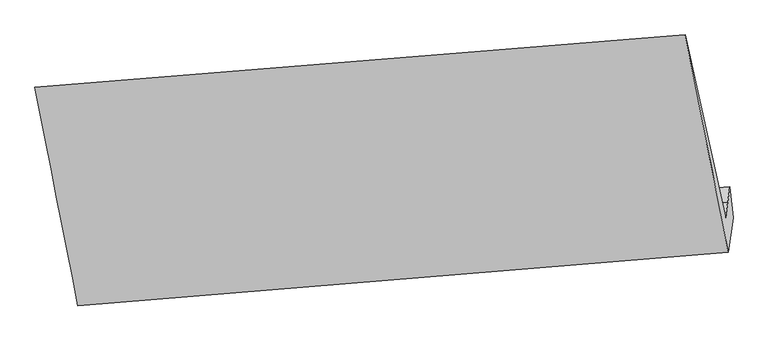
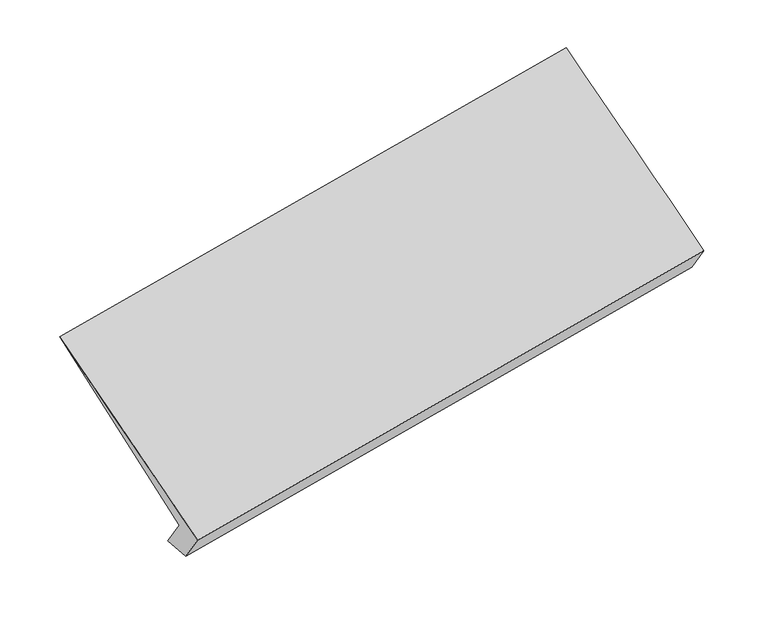
"""IFC4 building model written with IfcOpenShell, lengths in millimetres: proxy geometry."""

from ifc_helpers import new_model, si_unit, frame, origin, place, context, project, spatial, source, transform, mapped, element, save
from ifc_brep_helpers import plane_surface, spline_surface, advanced_brep


def generic_models_5c09ae20(model_context):
    return source(origin(), model_context, "Body", "AdvancedBrep", [
        advanced_brep(
        [(-5151.7550117, -1816.1316062, 1315.9292478), (-5168.1197534, -1931.2893658, 1462.507593), (-497.8460875, -1549.5228096, 2286.7224402), (-481.8202767, -1436.7500874, 2143.1798855), (-5135.39027, -1700.9738465, 1169.3509025), (-465.7944659, -1323.9773653, 1999.6373309), (-5114.7732509, -1936.9528917, 1159.8456777), (-443.4283402, -1547.6480468, 1974.4654277), (-5149.2997875, -2179.9141731, 1469.0985036), (-478.941962, -1797.5553907, 2292.5595367), (-5457.9774988, -612.6287693, 2515.0189583), (-787.0844578, -235.2988579, 3337.7289279)],
        [
            (0, 1),
            (1, 2),
            (2, 3),
            (3, 0),
            (4, 0),
            (3, 5),
            (5, 4),
            (6, 4),
            (5, 7),
            (7, 6),
            (8, 6),
            (7, 9),
            (9, 8),
            (10, 8),
            (9, 11),
            (11, 10),
            (1, 10),
            (11, 2),
        ],
        [
            plane_surface(frame((-5159.9373825, -1873.710486, 1389.2184204), z_axis=(-0.16946695561299358, 0.7840759978290764, 0.5970810502633641), x_axis=(-0.08745532756121435, -0.6154181831103935, 0.7833339170355532))),
            plane_surface(frame((-5143.5726409, -1758.5527263, 1242.6400751), z_axis=(-0.16946695561299557, 0.7840759978290621, 0.5970810502633824), x_axis=(-0.08745532756111914, -0.6154181831104044, 0.7833339170355553))),
            spline_surface(1, 1, [[(-5114.7732509, -1936.9528917, 1159.8456777), (-443.4283402, -1547.6480468, 1974.4654277)], [(-5135.39027, -1700.9738465, 1169.3509025), (-465.7944659, -1323.9773653, 1999.6373309)]], [2, 2], [2, 2], [0.0, 1.0], [0.0, 1.0]),
            plane_surface(frame((-5132.0365192, -2058.4335324, 1314.4720906), z_axis=(0.16946695561299285, -0.7840759978290696, -0.5970810502633734), x_axis=(0.08745532756117111, 0.6154181831103992, -0.7833339170355537))),
            spline_surface(1, 1, [[(-5457.9774988, -612.6287693, 2515.0189583), (-787.0844578, -235.2988579, 3337.7289279)], [(-5149.2997875, -2179.9141731, 1469.0985036), (-478.941962, -1797.5553907, 2292.5595367)]], [2, 2], [2, 2], [0.0, 1.0], [0.0, 1.0]),
            spline_surface(1, 1, [[(-5168.1197534, -1931.2893658, 1462.507593), (-497.8460875, -1549.5228096, 2286.7224402)], [(-5457.9774988, -612.6287693, 2515.0189583), (-787.0844578, -235.2988579, 3337.7289279)]], [2, 2], [2, 2], [0.0, 1.0], [0.0, 1.0]),
            plane_surface(frame((-534.6190627, -1290.8004941, 2378.2227327), z_axis=(0.9820018781650195, 0.07888313240694786, 0.17160933162868086), x_axis=(0.08745532756117111, 0.6154181831103992, -0.7833339170355537))),
            plane_surface(frame((-5205.1121121, -1672.3518093, 1555.164327), z_axis=(-0.9820018781650208, -0.07888313240694604, -0.17160933162867353), x_axis=(0.08745532756116621, 0.6154181831103999, -0.7833339170355537))),
        ],
        [
            (0, [[1, 2, 3, 4]]),
            (1, [[5, -4, 6, 7]]),
            (2, [[8, -7, 9, 10]]),
            (3, [[11, -10, 12, 13]]),
            (4, [[14, -13, 15, 16]]),
            (5, [[17, -16, 18, -2]]),
            (6, [[-12, -9, -6, -3, -18, -15]]),
            (7, [[-1, -5, -8, -11, -14, -17]]),
        ],
    ),
    ])


if __name__ == "__main__":
    model = new_model("IFC4")
    model_context = context("Model", 3, world=origin())
    ifc_project = project(units=[si_unit("LENGTHUNIT", "METRE", prefix="MILLI")], contexts=[model_context])
    site = spatial("IfcSite", under=ifc_project)
    building = spatial("IfcBuilding", under=site)
    placement = place(None, origin())
    generic_models_shape = generic_models_5c09ae20(model_context)
    element("IfcBuildingElementProxy", 1, Name="Generic Models", at=placement, inside=building, context=model_context, shape_type="MappedRepresentation", body=[
        mapped(generic_models_shape, transform((0.0, 0.0, 0.0), x_axis=(1.0, 0.0, 0.0), y_axis=(0.0, 1.0, 0.0), z_axis=(0.0, 0.0, 1.0))),
    ])
    save(model, "model.ifc")
